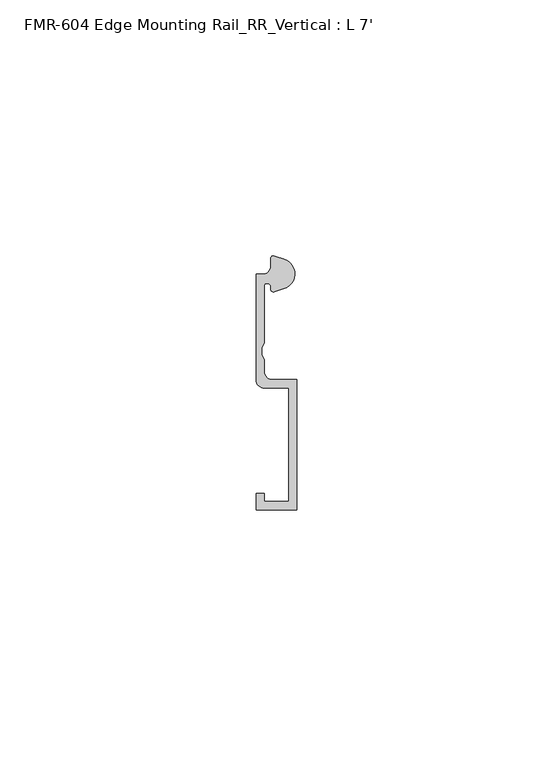
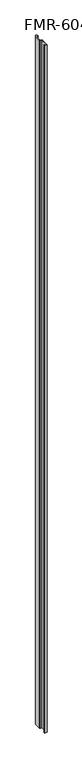
"""IFC4 building model written with IfcOpenShell, lengths in millimetres: proxy geometry, FMR-604 Edge Mounting Rail_RR_Vertical : L 7'."""

from ifc_helpers import new_model, si_unit, point, frame_2d, origin, origin_with_axes, place, context, project, spatial, polyline, circle_curve, trimmed, segment, composite_curve, outline, extrude, source, transform, mapped, element, save


def fmr_604_edge_mounting_rail_rr_vertical_l_7_171cf905(model_context):
    return source(origin(), model_context, "Body", "SweptSolid", [
        extrude(outline(composite_curve([segment(trimmed(circle_curve(frame_2d((4.5018192, -3.531999)), 3.048), [point((5.4099313, -0.6224223))], [point((7.1037699, -1.944499))], False, "CARTESIAN"), True, "CONTINUOUS"), segment(trimmed(circle_curve(frame_2d((4.5018192, -3.531999)), 3.048), [point((7.1037699, -1.944499))], [point((5.4099313, -6.4415757))], False, "CARTESIAN"), True, "CONTINUOUS"), segment(polyline([(5.4099313, -6.4415757), (3.6135887, -7.0022347)]), True, "CONTINUOUS"), segment(trimmed(circle_curve(frame_2d((3.4254762, -6.4635334)), 0.5706009), [point((3.6135887, -7.0022347))], [point((2.8720827, -6.3244611))], False, "CARTESIAN"), True, "CONTINUOUS"), segment(trimmed(circle_curve(frame_2d((2.1330622, -6.1387392)), 0.762), [point((2.8720827, -6.3244611))], [point((2.1123834, -5.3770198))], True, "CARTESIAN"), True, "CONTINUOUS"), segment(trimmed(circle_curve(frame_2d((2.0955, -5.8847392)), 0.508), [point((2.1123834, -5.3770198))], [point((1.5875, -5.8847392))], True, "CARTESIAN"), True, "CONTINUOUS"), segment(polyline([(1.5875, -5.8847392), (1.5875, -17.0723512), (1.0783361, -17.9897709), (1.0783361, -19.3299316), (1.5875, -20.2473512), (1.5875, -22.6259797)]), True, "CONTINUOUS"), segment(trimmed(circle_curve(frame_2d((3.175, -22.6259797)), 1.5875), [point((1.5875, -22.6259797))], [point((3.175, -24.2134797))], True, "CARTESIAN"), True, "CONTINUOUS"), segment(polyline([(3.175, -24.2134797), (7.9375, -24.2134797), (7.9375, -49.6175641), (0.0, -49.6175641), (0.0, -46.4425641), (1.5875, -46.4425641), (1.5875, -48.0300641), (6.35, -48.0300641), (6.35, -25.8237392), (1.5875, -25.8237392)]), True, "CONTINUOUS"), segment(trimmed(circle_curve(frame_2d((1.5875, -24.2362392)), 1.5875), [point((1.5875, -25.8237392))], [point((0.0, -24.2362392))], False, "CARTESIAN"), True, "CONTINUOUS"), segment(polyline([(0.0, -24.2362392), (0.0, -3.5987392), (1.3075622, -3.5987392)]), True, "CONTINUOUS"), segment(trimmed(circle_curve(frame_2d((1.3075622, -2.0112392)), 1.5875), [point((1.3075622, -3.5987392))], [point((2.8950622, -2.0112392))], True, "CARTESIAN"), True, "CONTINUOUS"), segment(polyline([(2.8950622, -2.0112392), (2.8950622, -0.4696291)]), True, "CONTINUOUS"), segment(trimmed(circle_curve(frame_2d((3.3646912, -0.4696291)), 0.4696291), [point((2.8950622, -0.4696291))], [point((3.5749842, -0.0497144))], False, "CARTESIAN"), True, "CONTINUOUS"), segment(polyline([(3.5749842, -0.0497144), (5.4099313, -0.6224223)]), True, "CONTINUOUS")], self_intersect=False)), origin_with_axes(), (0.0, 0.0, 1.0), 2133.6),
    ])


if __name__ == "__main__":
    model = new_model("IFC4")
    model_context = context("Model", 3, world=origin())
    ifc_project = project(units=[si_unit("LENGTHUNIT", "METRE", prefix="MILLI")], contexts=[model_context])
    site = spatial("IfcSite", under=ifc_project)
    building = spatial("IfcBuilding", under=site)
    placement = place(None, origin())
    fmr_604_edge_mounting_rail_rr_vertical_l_7_shape = fmr_604_edge_mounting_rail_rr_vertical_l_7_171cf905(model_context)
    element("IfcBuildingElementProxy", 1, Name="FMR-604 Edge Mounting Rail_RR_Vertical : L 7'", ObjectType="FMR-604 Edge Mounting Rail_RR_Vertical : L 7'", at=placement, inside=building, context=model_context, shape_type="MappedRepresentation", body=[
        mapped(fmr_604_edge_mounting_rail_rr_vertical_l_7_shape, transform((0.0, 0.0, 0.0), x_axis=(1.0, 0.0, 0.0), y_axis=(0.0, 1.0, 0.0), z_axis=(0.0, 0.0, 1.0))),
    ])
    save(model, "model.ifc")
